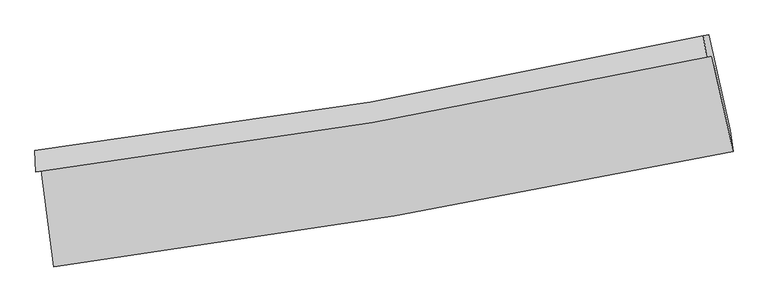
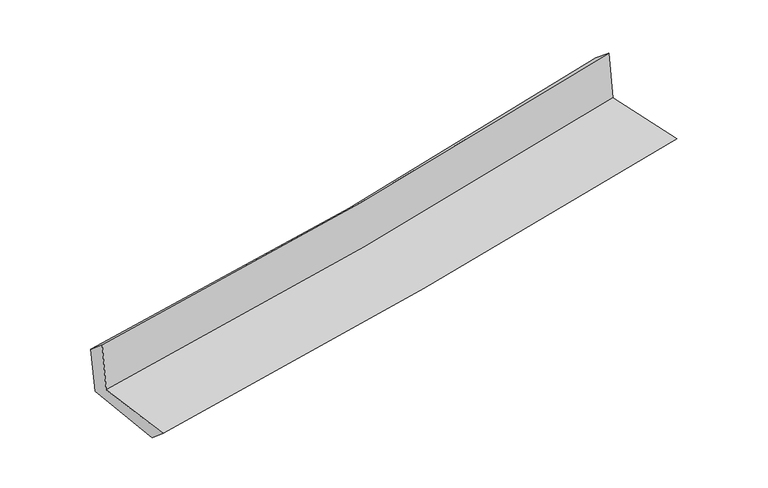
"""IFC4 building model written with IfcOpenShell, lengths in millimetres: proxy geometry."""

from ifc_helpers import new_model, si_unit, frame, origin, place, context, project, spatial, source, transform, mapped, element, save
from ifc_brep_helpers import plane_surface, spline_curve, spline_surface, advanced_brep


def generic_models_f934b831(model_context):
    return source(origin(), model_context, "Body", "AdvancedBrep", [
        advanced_brep(
        [(-2330.4044852, -1877.0673235, 1669.7790129), (-2245.3580903, -2538.3717194, 1662.6531195), (2418.2188023, -1744.5518356, 2100.2735833), (2273.0186528, -1088.8517148, 2107.0139304), (-2367.7994634, -1886.3704251, 2079.2817519), (2235.8198885, -1098.0460115, 2511.2808325), (-2374.7839524, -1738.7539463, 1953.5107244), (2214.6009042, -948.14786, 2389.4060238), (-2339.3729813, -1734.6432328, 1572.0974939), (2250.667846, -943.923031, 2008.0943174), (-2252.2657412, -2394.4573005, 1541.079901), (2398.4714999, -1603.0492488, 1982.3056746)],
        [
            (0, 1),
            (1, 2, spline_curve(3, [(-2245.3580903, -2538.3717194, 1662.6531195), (-1464.167208393, -2438.024531396, 1739.609938639), (-685.193929343, -2321.753146886, 1814.53412386), (869.337530102, -2057.188372592, 1960.412954188), (1644.889881921, -1908.853129391, 2031.3622569), (2418.2188023, -1744.5518356, 2100.2735833)], [4, 2, 4], [0.0, 7.741271630123533, 15.492709805795474])),
            (2, 3),
            (3, 0, spline_curve(3, [(2273.0186528, -1088.8517148, 2107.0139304), (1511.420586357, -1256.545414915, 2036.476279924), (746.74920645, -1406.108111999, 1964.746519769), (-787.733229158, -1668.799119473, 1818.99842209), (-1557.536228682, -1781.974958416, 1744.98320969), (-2330.4044852, -1877.0673235, 1669.7790129)], [4, 2, 4], [0.0, 7.751438175671941, 15.492709805795474])),
            (4, 0),
            (3, 5),
            (5, 4, spline_curve(3, [(2235.8198885, -1098.0460115, 2511.2808325), (1474.643522746, -1265.656228251, 2436.713079174), (710.166482258, -1415.186290346, 2363.406482591), (-824.381954055, -1677.913699039, 2219.410095171), (-1594.444697705, -1791.158441524, 2148.716998215), (-2367.7994634, -1886.3704251, 2079.2817519)], [4, 2, 4], [0.0, 7.70224691746114, 15.39439180710024])),
            (6, 4),
            (5, 7),
            (7, 6, spline_curve(3, [(2214.6009042, -948.14786, 2389.4060238), (1457.089830666, -1120.989757553, 2311.82199315), (695.63199924, -1273.32433254, 2236.683136359), (-834.173299154, -1536.805936531, 2091.391112818), (-1602.510419724, -1648.006723488, 2021.231536661), (-2374.7839524, -1738.7539463, 1953.5107244)], [4, 2, 4], [0.0, 7.691583078016885, 15.373078114572323])),
            (8, 6),
            (7, 9),
            (9, 8, spline_curve(3, [(2250.667846, -943.923031, 2008.0943174), (1492.43751297, -1116.860431776, 1936.928648569), (730.565551839, -1269.252248866, 1864.988395255), (-799.457603592, -1532.771791109, 1719.654090267), (-1567.599251241, -1643.953374483, 1646.262069086), (-2339.3729813, -1734.6432328, 1572.0974939)], [4, 2, 4], [0.0, 7.681642733571249, 15.353210463128075])),
            (10, 8),
            (9, 11),
            (11, 10, spline_curve(3, [(2398.4714999, -1603.0492488, 1982.3056746), (1627.60618691, -1766.737091963, 1910.611550224), (854.35620636, -1914.564561406, 1837.970924476), (-695.895792046, -2178.32566845, 1690.893185514), (-1472.891558436, -2294.300882909, 1616.458553148), (-2252.2657412, -2394.4573005, 1541.079901)], [4, 2, 4], [0.0, 7.730847591903676, 15.451555644229064])),
            (1, 10),
            (11, 2),
        ],
        [
            spline_surface(3, 3, [[(-2330.4044852, -1877.0673235, 1669.7790129), (-1557.536228794, -1781.974958357, 1744.983209792), (-787.73322924, -1668.799119397, 1818.998422171), (746.749206533, -1406.108112075, 1964.746519689), (1511.420586308, -1256.545414842, 2036.476279808), (2273.0186528, -1088.8517148, 2107.0139304)], [(-2302.055686881, -2097.502122127, 1667.403715081), (-1526.413221997, -2000.658149404, 1743.192119398), (-753.553462606, -1886.450461876, 1817.510322741), (787.611981043, -1623.134865576, 1963.301997862), (1555.910351489, -1473.981319682, 2034.771605497), (2321.418702642, -1307.41842174, 2104.76714802)], [(-2273.706888619, -2317.936920773, 1665.028417319), (-1495.290215255, -2219.34134047, 1741.401029062), (-719.373695955, -2104.101804387, 1816.02222329), (828.47475557, -1840.161619111, 1961.857476014), (1600.400116644, -1691.417224503, 2033.066931226), (2369.818752458, -1525.98512866, 2102.52036568)], [(-2245.3580903, -2538.3717194, 1662.6531195), (-1464.167208457, -2438.024531517, 1739.609938668), (-685.193929321, -2321.753146866, 1814.53412386), (869.33753008, -2057.188372612, 1960.412954188), (1644.889881826, -1908.853129344, 2031.362256915), (2418.2188023, -1744.5518356, 2100.2735833)]], [4, 4], [4, 2, 4], [0.0, 2.1708593431098304], [0.0, 7.741271630123533, 15.492709805795474]),
            spline_surface(3, 3, [[(-2367.7994634, -1886.3704251, 2079.2817519), (-1594.444697737, -1791.158441646, 2148.716998211), (-824.381954103, -1677.91369914, 2219.410095132), (710.166482306, -1415.186290244, 2363.406482629), (1474.643522647, -1265.656228216, 2436.713079278), (2235.8198885, -1098.0460115, 2511.2808325)], [(-2355.334470688, -1883.269391232, 1942.7808389), (-1582.141874778, -1788.097280548, 2014.139068738), (-812.165712463, -1674.875505902, 2085.939537467), (722.360723734, -1412.160230864, 2230.519828304), (1486.902543852, -1262.619290403, 2303.300812808), (2248.219476585, -1094.981245912, 2376.525198486)], [(-2342.869477912, -1880.168357368, 1806.2799259), (-1569.839051754, -1785.036119455, 1879.561139265), (-799.94947088, -1671.837312636, 1952.468979836), (734.554965105, -1409.134171455, 2097.633174014), (1499.161565103, -1259.582352655, 2169.888546279), (2260.619064715, -1091.916480388, 2241.769564414)], [(-2330.4044852, -1877.0673235, 1669.7790129), (-1557.536228794, -1781.974958357, 1744.983209792), (-787.73322924, -1668.799119397, 1818.998422171), (746.749206533, -1406.108112075, 1964.746519689), (1511.420586308, -1256.545414842, 2036.476279808), (2273.0186528, -1088.8517148, 2107.0139304)]], [4, 4], [4, 2, 4], [0.0, 1.316640764631872], [0.0, 7.6921448896391, 15.39439180710024]),
            spline_surface(3, 3, [[(-2374.7839524, -1738.7539463, 1953.5107244), (-1602.510419794, -1648.0067236, 2021.231536679), (-834.173299096, -1536.805936461, 2091.391112918), (695.631999182, -1273.324332609, 2236.683136259), (1457.089830731, -1120.989757669, 2311.821993094), (2214.6009042, -948.14786, 2389.4060238)], [(-2372.455789399, -1787.959439246, 1995.434400256), (-1599.821845774, -1695.723962962, 2063.726690546), (-830.909517432, -1583.841857367, 2134.064106988), (700.47682689, -1320.611651834, 2278.924251714), (1462.94106139, -1169.211914541, 2353.452355131), (2221.673898987, -998.113910524, 2430.030960008)], [(-2370.127626401, -1837.164932154, 2037.358076044), (-1597.133271758, -1743.441202284, 2106.221844344), (-827.645735767, -1630.877778235, 2176.737101062), (705.321654598, -1367.89897102, 2321.165367174), (1468.792291988, -1217.434071343, 2395.082717242), (2228.746893713, -1048.079960976, 2470.655896292)], [(-2367.7994634, -1886.3704251, 2079.2817519), (-1594.444697737, -1791.158441646, 2148.716998211), (-824.381954103, -1677.91369914, 2219.410095132), (710.166482306, -1415.186290244, 2363.406482629), (1474.643522647, -1265.656228216, 2436.713079278), (2235.8198885, -1098.0460115, 2511.2808325)]], [4, 4], [4, 2, 4], [0.0, 0.6258524829520388], [0.0, 7.681495036555438, 15.373078114572323]),
            spline_surface(3, 3, [[(-2339.3729813, -1734.6432328, 1572.0974939), (-1567.599251361, -1643.953374375, 1646.262069027), (-799.457603546, -1532.771791023, 1719.654090266), (730.565551793, -1269.252248953, 1864.988395256), (1492.437513057, -1116.860431756, 1936.928648555), (2250.667846, -943.923031, 2008.0943174)], [(-2351.176638305, -1736.013470621, 1699.235237376), (-1579.236307477, -1645.304490771, 1771.251891554), (-811.02950206, -1534.11650615, 1843.56643116), (718.921034259, -1270.609610153, 1988.886642267), (1480.654952275, -1118.23687373, 2061.89309676), (2238.64553206, -945.331307337, 2135.198219559)], [(-2362.980295395, -1737.383708479, 1826.372980924), (-1590.873363678, -1646.655607204, 1896.241714152), (-822.601400583, -1535.461221334, 1967.478772024), (707.276516716, -1271.966971409, 2112.784889248), (1468.872391512, -1119.613315695, 2186.857544889), (2226.62321814, -946.739583663, 2262.302121641)], [(-2374.7839524, -1738.7539463, 1953.5107244), (-1602.510419794, -1648.0067236, 2021.231536679), (-834.173299096, -1536.805936461, 2091.391112918), (695.631999182, -1273.324332609, 2236.683136259), (1457.089830731, -1120.989757669, 2311.821993094), (2214.6009042, -948.14786, 2389.4060238)]], [4, 4], [4, 2, 4], [0.0, 1.2249527576100705], [0.0, 7.671567729556826, 15.353210463128075]),
            spline_surface(3, 3, [[(-2252.2657412, -2394.4573005, 1541.079901), (-1472.891558359, -2294.300883024, 1616.458553264), (-695.895791967, -2178.32566855, 1690.893185474), (854.35620628, -1914.564561306, 1837.970924516), (1627.606186913, -1766.737091896, 1910.611550172), (2398.4714999, -1603.0492488, 1982.3056746)], [(-2281.301487913, -2174.519277933, 1551.419098654), (-1504.460789373, -2077.518380141, 1626.393058539), (-730.416395834, -1963.141042729, 1700.480153727), (813.092654777, -1699.46045721, 1846.976748085), (1582.549962288, -1550.111538497, 1919.3839163), (2349.203615261, -1383.340509515, 1990.901888867)], [(-2310.337234587, -1954.581255367, 1561.758296246), (-1536.030020348, -1860.735877259, 1636.327563752), (-764.936999679, -1747.956416843, 1710.067122013), (771.829103296, -1484.356353049, 1855.982571687), (1537.493737681, -1333.485985155, 1928.156282427), (2299.935730639, -1163.631770285, 1999.498103133)], [(-2339.3729813, -1734.6432328, 1572.0974939), (-1567.599251361, -1643.953374375, 1646.262069027), (-799.457603546, -1532.771791023, 1719.654090266), (730.565551793, -1269.252248953, 1864.988395256), (1492.437513057, -1116.860431756, 1936.928648555), (2250.667846, -943.923031, 2008.0943174)]], [4, 4], [4, 2, 4], [0.0, 2.152107762606212], [0.0, 7.720708052325388, 15.451555644229064]),
            spline_surface(3, 3, [[(-2245.3580903, -2538.3717194, 1662.6531195), (-1464.167208457, -2438.024531517, 1739.609938668), (-685.193929321, -2321.753146866, 1814.53412386), (869.33753008, -2057.188372612, 1960.412954188), (1644.889881826, -1908.853129344, 2031.362256915), (2418.2188023, -1744.5518356, 2100.2735833)], [(-2247.660640614, -2490.400246441, 1622.128713332), (-1467.075325106, -2390.116648694, 1698.559476866), (-688.761216879, -2273.943987413, 1773.320477739), (864.343755471, -2009.647102163, 1919.598944304), (1639.128650186, -1861.481116868, 1991.112021327), (2411.636368164, -1697.384306673, 2060.950947059)], [(-2249.963190886, -2442.428773459, 1581.604307168), (-1469.983441711, -2342.208765848, 1657.509015066), (-692.328504409, -2226.134828003, 1732.106831595), (859.349980889, -1962.105831756, 1878.784934399), (1633.367418553, -1814.109104372, 1950.86178576), (2405.053934036, -1650.216777727, 2021.628310841)], [(-2252.2657412, -2394.4573005, 1541.079901), (-1472.891558359, -2294.300883024, 1616.458553264), (-695.895791967, -2178.32566855, 1690.893185474), (854.35620628, -1914.564561306, 1837.970924516), (1627.606186913, -1766.737091896, 1910.611550172), (2398.4714999, -1603.0492488, 1982.3056746)]], [4, 4], [4, 2, 4], [0.0, 0.6204186711620744], [0.0, 7.7797812492725456, 15.5697796184456]),
            plane_surface(frame((2298.4662656, -1237.7616169, 2183.0623937), z_axis=(0.9721984874324731, 0.21431678096071177, 0.09433142865795044), x_axis=(-0.09416048125759022, -0.011029821568177937, 0.9954959300798337))),
            plane_surface(frame((-2318.3307856, -2028.2773246, 1746.4003339), z_axis=(-0.9876546050681257, -0.1260136409432958, -0.09305344369736733), x_axis=(-0.12754624491889482, 0.9917750480420396, 0.010686883937774266))),
        ],
        [
            (0, [[1, 2, 3, 4]]),
            (1, [[5, -4, 6, 7]]),
            (2, [[8, -7, 9, 10]]),
            (3, [[11, -10, 12, 13]]),
            (4, [[14, -13, 15, 16]]),
            (5, [[17, -16, 18, -2]]),
            (6, [[-12, -9, -6, -3, -18, -15]]),
            (7, [[-1, -5, -8, -11, -14, -17]]),
        ],
    ),
    ])


if __name__ == "__main__":
    model = new_model("IFC4")
    model_context = context("Model", 3, world=origin())
    ifc_project = project(units=[si_unit("LENGTHUNIT", "METRE", prefix="MILLI")], contexts=[model_context])
    site = spatial("IfcSite", under=ifc_project)
    building = spatial("IfcBuilding", under=site)
    placement = place(None, origin())
    generic_models_shape = generic_models_f934b831(model_context)
    element("IfcBuildingElementProxy", 1, Name="Generic Models", at=placement, inside=building, context=model_context, shape_type="MappedRepresentation", body=[
        mapped(generic_models_shape, transform((0.0, 0.0, 0.0), x_axis=(1.0, 0.0, 0.0), y_axis=(0.0, 1.0, 0.0), z_axis=(0.0, 0.0, 1.0))),
    ])
    save(model, "model.ifc")
